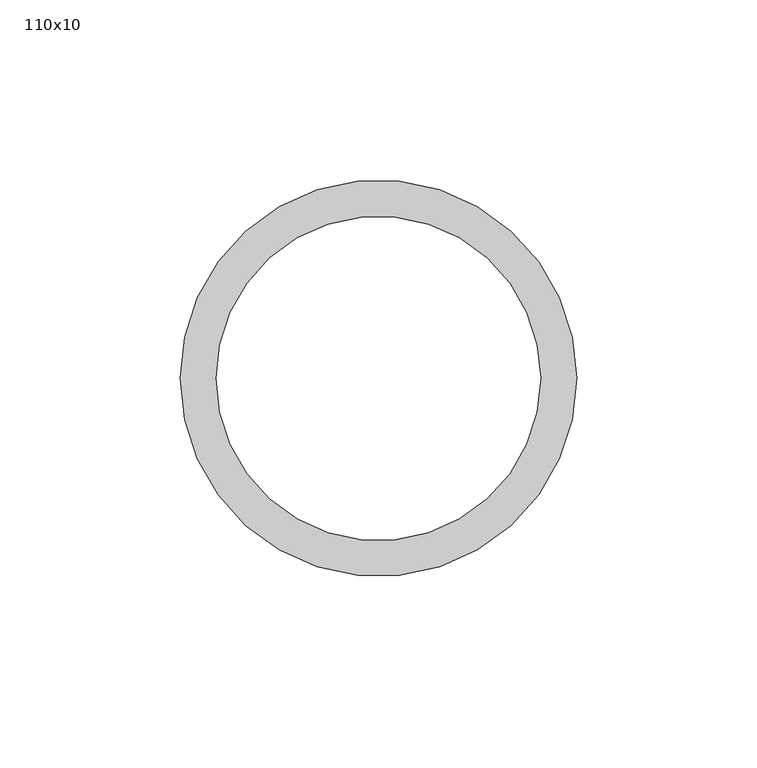
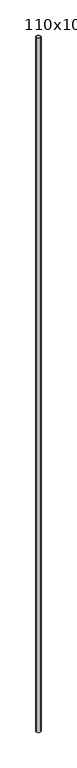
"""IFC4 building model written with IfcOpenShell, lengths in millimetres: column geometry, 110x10."""

from ifc_helpers import new_model, si_unit, point, frame, origin, origin_2d, place, context, project, spatial, circle_curve, trimmed, segment, composite_curve, outline, extrude, source, transform, mapped, element, save


def column_110x10_f9a2328a(model_context):
    return source(origin(), model_context, "Body", "SweptSolid", [
        extrude(outline(composite_curve([segment(trimmed(circle_curve(origin_2d(), 55.0), [point((-55.0, 0.0))], [point((55.0, 0.0))], False, "CARTESIAN"), True, "CONTINUOUS"), segment(trimmed(circle_curve(origin_2d(), 55.0), [point((55.0, 0.0))], [point((-55.0, 0.0))], False, "CARTESIAN"), True, "CONTINUOUS")], self_intersect=False), holes=[composite_curve([segment(trimmed(circle_curve(origin_2d(), 45.0), [point((-45.0, 0.0))], [point((45.0, 0.0))], True, "CARTESIAN"), True, "CONTINUOUS"), segment(trimmed(circle_curve(origin_2d(), 45.0), [point((45.0, 0.0))], [point((-45.0, 0.0))], True, "CARTESIAN"), True, "CONTINUOUS")], self_intersect=False)]), frame((0.0, 0.0, -1236.5), z_axis=(0.0, 0.0, 1.0), x_axis=(1.0, 0.0, 0.0)), (0.0, 0.0, 1.0), 17950.0),
    ])


if __name__ == "__main__":
    model = new_model("IFC4")
    model_context = context("Model", 3, world=origin())
    ifc_project = project(units=[si_unit("LENGTHUNIT", "METRE", prefix="MILLI")], contexts=[model_context])
    site = spatial("IfcSite", under=ifc_project)
    building = spatial("IfcBuilding", under=site)
    placement = place(None, origin())
    column_110x10_shape = column_110x10_f9a2328a(model_context)
    element("IfcColumn", 1, ObjectType="110x10", at=placement, inside=building, context=model_context, shape_type="MappedRepresentation", body=[
        mapped(column_110x10_shape, transform((0.0, 0.0, 0.0), x_axis=(1.0, 0.0, 0.0), y_axis=(0.0, 1.0, 0.0), z_axis=(0.0, 0.0, 1.0))),
    ])
    save(model, "model.ifc")
